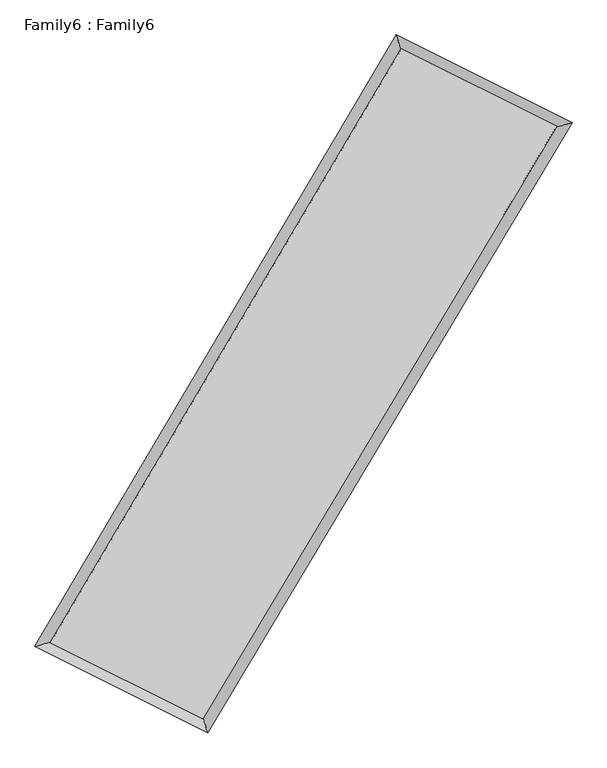
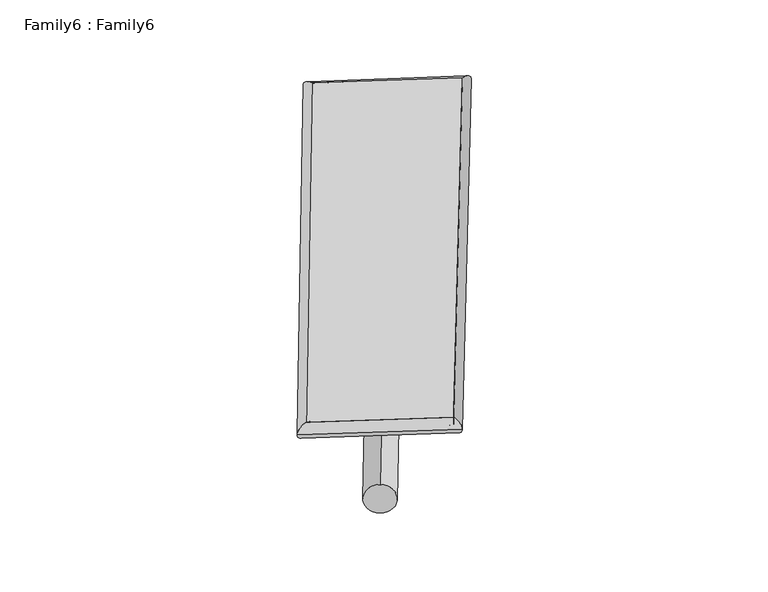
"""IFC4 building model written with IfcOpenShell, lengths in millimetres: plate geometry, Family6 : Family6."""

from ifc_helpers import new_model, si_unit, point, frame, origin, origin_2d, place, context, project, spatial, circle_curve, ellipse_curve, trimmed, segment, composite_curve, outline, extrude, source, transform, mapped, element, save
from ifc_brep_helpers import plane_surface, cylinder_surface, spline_surface, advanced_brep


def family6_family6_4e925cf8(model_context):
    return source(origin(), model_context, "Body", "SolidModel", [
        extrude(outline(composite_curve([segment(trimmed(circle_curve(origin_2d(), 76.2), [point((-75.4341515, -10.7763074))], [point((75.4341515, 10.7763074))], False, "CARTESIAN"), True, "CONTINUOUS"), segment(trimmed(circle_curve(origin_2d(), 76.2), [point((75.4341515, 10.7763074))], [point((-75.4341515, -10.7763074))], False, "CARTESIAN"), True, "CONTINUOUS")], self_intersect=False)), frame((9144.0, 9144.0, 0.0), z_axis=(0.6778958766832713, 0.6843883407605786, 0.26845815205875434), x_axis=(-0.6761970971642638, 0.7237568834237327, -0.13759890800216626)), (0.0, 0.0, 1.0), 5675.4127905),
        extrude(outline(composite_curve([segment(trimmed(circle_curve(origin_2d(), 76.2), [point((-53.8815368, 53.8815367))], [point((53.8815368, -53.8815367))], False, "CARTESIAN"), True, "CONTINUOUS"), segment(trimmed(circle_curve(origin_2d(), 76.2), [point((53.8815368, -53.8815367))], [point((-53.8815368, 53.8815367))], False, "CARTESIAN"), True, "CONTINUOUS")], self_intersect=False)), frame((9144.0, 9144.0, 0.0), z_axis=(-0.6747965552794782, -0.6873254308165393, 0.26876264832712277), x_axis=(0.638744568506828, -0.36151621575237125, 0.6791990885970852)), (0.0, 0.0, 1.0), 5668.5749266),
        extrude(outline(composite_curve([segment(trimmed(circle_curve(origin_2d(), 76.2), [point((-53.8815368, -53.8815367))], [point((53.8815368, 53.8815367))], False, "CARTESIAN"), True, "CONTINUOUS"), segment(trimmed(circle_curve(origin_2d(), 76.2), [point((53.8815368, 53.8815367))], [point((-53.8815368, -53.8815367))], False, "CARTESIAN"), True, "CONTINUOUS")], self_intersect=False)), frame((9144.0, 9144.0, 0.0), z_axis=(0.26764760860235004, 0.9228732672516113, 0.27689292190624737), x_axis=(-0.8416716540999649, 0.36381987410884215, -0.3990287281488081)), (0.0, 0.0, 1.0), 5495.5996085),
        extrude(outline(composite_curve([segment(trimmed(circle_curve(origin_2d(), 76.2), [point((-75.4341514, 10.7763074))], [point((75.4341514, -10.7763074))], False, "CARTESIAN"), True, "CONTINUOUS"), segment(trimmed(circle_curve(origin_2d(), 76.2), [point((75.4341514, -10.7763074))], [point((-75.4341514, 10.7763074))], False, "CARTESIAN"), True, "CONTINUOUS")], self_intersect=False)), frame((9144.0, 9144.0, 0.0), z_axis=(-0.27194341893892465, -0.9215502490814396, 0.2771135422777916), x_axis=(0.8788887279555876, -0.120567898920605, 0.46153871519351436)), (0.0, 0.0, 1.0), 5490.6136583),
        advanced_brep(
        [(5104.4719422, 5184.5098494, 1523.3575852), (5104.4718248, 5184.5096633, 1523.695829), (5533.2583902, 5311.1787435, 1523.6448339), (10673.8589496, 14015.9021244, 1521.8893325), (10555.9092365, 14415.5818081, 1521.4959339), (5533.2585076, 5311.1789296, 1523.30659), (12776.2808078, 12965.2855241, 1523.5863387), (13206.3970504, 13091.0871615, 1523.6353211), (7592.4634718, 4283.5885099, 1521.5601418), (7709.2640275, 3884.6587213, 1521.4866585)],
        [
            (0, 1, ellipse_curve(frame((5318.8651662, 5247.8442965, 1523.5012095), z_axis=(-0.2833093298910316, 0.9590284872520796, 0.00042922684276126903), x_axis=(-0.9590283033362337, -0.28330956079619324, 0.0006373080048866098)), 223.5527266, 152.4)),
            (1, 2, ellipse_curve(frame((5318.8651662, 5247.8442965, 1523.5012095), z_axis=(-0.2833093298910316, 0.9590284872520796, 0.00042922684276126903), x_axis=(-0.9590283033362337, -0.28330956079619324, 0.0006373080048866098)), 223.5527266, 152.4)),
            (2, 3),
            (3, 4, ellipse_curve(frame((10614.8840931, 14215.7419662, 1521.6926332), z_axis=(-0.9591071311040935, -0.28304305420939624, -0.0003748721003111887), x_axis=(0.283042776933878, -0.959107061345415, 0.000656736569063867)), 208.3603559, 152.4)),
            (4, 0),
            (2, 5, ellipse_curve(frame((5318.8651662, 5247.8442965, 1523.5012095), z_axis=(-0.2833093298910316, 0.9590284872520796, 0.00042922684276126903), x_axis=(-0.9590283033362337, -0.28330956079619324, 0.0006373080048866098)), 223.5527266, 152.4)),
            (5, 0, ellipse_curve(frame((5318.8651662, 5247.8442965, 1523.5012095), z_axis=(-0.2833093298910316, 0.9590284872520796, 0.00042922684276126903), x_axis=(-0.9590283033362337, -0.28330956079619324, 0.0006373080048866098)), 223.5527266, 152.4)),
            (4, 3, ellipse_curve(frame((10614.8840931, 14215.7419662, 1521.6926332), z_axis=(-0.9591071311040935, -0.28304305420939624, -0.0003748721003111887), x_axis=(0.283042776933878, -0.959107061345415, 0.000656736569063867)), 208.3603559, 152.4)),
            (3, 6),
            (6, 7, ellipse_curve(frame((12991.3389291, 13028.1863428, 1523.6108299), z_axis=(-0.2807218348144198, 0.9597890937078509, -0.0003834812742037595), x_axis=(-0.9597889065982077, -0.2807220314612823, -0.0006291448700264451)), 224.0681256, 152.4)),
            (7, 4),
            (7, 6, ellipse_curve(frame((12991.3389291, 13028.1863428, 1523.6108299), z_axis=(-0.2807218348144198, 0.9597890937078509, -0.0003834812742037595), x_axis=(-0.9597889065982077, -0.2807220314612823, -0.0006291448700264451)), 224.0681256, 152.4)),
            (6, 8),
            (8, 9, ellipse_curve(frame((7650.8637497, 4084.1236156, 1521.5234001), z_axis=(0.959710971599175, 0.28098880042259017, -0.0003808270489886921), x_axis=(-0.2809884930812132, 0.9597108779085991, 0.0007053934046845947)), 207.8385148, 152.4)),
            (9, 7),
            (9, 8, ellipse_curve(frame((7650.8637497, 4084.1236156, 1521.5234001), z_axis=(0.959710971599175, 0.28098880042259017, -0.0003808270489886921), x_axis=(-0.2809884930812132, 0.9597108779085991, 0.0007053934046845947)), 207.8385148, 152.4)),
            (8, 5),
            (1, 9),
        ],
        [
            cylinder_surface(frame((5318.8651662, 5247.8442965, 1523.5012095), z_axis=(-0.5085020285710704, -0.8610607741524758, 0.00017365208078148046), x_axis=(-0.8610603382523092, 0.5085015435055605, -0.0011287786679622781)), 152.4),
            cylinder_surface(frame((10614.8840931, 14215.7419662, 1521.6926332), z_axis=(-0.8945280838151285, 0.44701116980807654, -0.0007220338287355311), x_axis=(0.4470115999399701, 0.8945279471309179, -0.0006175118251604938)), 152.4),
            cylinder_surface(frame((12991.3389291, 13028.1863428, 1523.6108299), z_axis=(0.5126620105494923, 0.8585904860791277, 0.00020038403099927675), x_axis=(0.8585905076835424, -0.5126620105494922, -5.5272681628116894e-05)), 152.4),
            cylinder_surface(frame((7650.8637497, 4084.1236156, 1521.5234001), z_axis=(0.8947763766916452, -0.4465138965611296, -0.0007588757264243279), x_axis=(-0.44651366322965125, -0.8947766953491765, 0.000462611332142735)), 152.4),
        ],
        [
            (0, [[1, 2, 3, 4, 5]]),
            (0, [[6, 7, -5, 8, -3]]),
            (1, [[-4, 9, 10, 11]]),
            (1, [[-8, -11, 12, -9]]),
            (2, [[-10, 13, 14, 15]]),
            (2, [[-12, -15, 16, -13]]),
            (3, [[-14, 17, -6, -2, 18]]),
            (3, [[-16, -18, -1, -7, -17]]),
        ],
    ),
        extrude(outline(composite_curve([segment(trimmed(circle_curve(origin_2d(), 304.8), [point((0.0, 304.8))], [point((0.0, -304.8))], False, "CARTESIAN"), True, "CONTINUOUS"), segment(trimmed(circle_curve(origin_2d(), 304.8), [point((0.0, -304.8))], [point((0.0, 304.8))], False, "CARTESIAN"), True, "CONTINUOUS")], self_intersect=False)), frame((11817.4046952, 13648.0645105, -2.24e-05), z_axis=(-0.5104140197158539, -0.8599287926785008, 4.268365063596138e-09), x_axis=(-0.8599287926785008, 0.5104140197158539, -1.1713531067968205e-09)), (0.0, 0.0, 1.0), 10475.435987),
        advanced_brep(
        [(5318.8651662, 5247.8442965, 1523.5012095), (7650.8637497, 4084.1236156, 1521.5234001), (7650.8633911, 4084.1214583, 1673.9234001), (5318.8648076, 5247.8421392, 1675.9012095), (12991.3389291, 13028.1863428, 1523.6108299), (12991.3385706, 13028.1841855, 1676.0108299), (10614.8840931, 14215.7419662, 1521.6926332), (10614.8837345, 14215.7398089, 1674.0926332)],
        [
            (0, 1),
            (1, 2),
            (2, 3),
            (3, 0),
            (1, 4),
            (4, 5),
            (5, 2),
            (4, 6),
            (6, 7),
            (7, 5),
            (6, 0),
            (3, 7),
        ],
        [
            plane_surface(frame((6484.8644579, 4665.983956, 1522.5123048), z_axis=(-0.4465140344050725, -0.8947766296071664, -1.3716618504493975e-05), x_axis=(0.8947763766916451, -0.4465138965611296, -0.0007588757264243279))),
            plane_surface(frame((10321.1013394, 8556.1549792, 1522.567115), z_axis=(0.8585905038431608, -0.51266201993411, -5.236950855455898e-06), x_axis=(0.5126620105494921, 0.8585904860791277, 0.00020038403099927686))),
            plane_surface(frame((11803.1115111, 13621.9641545, 1522.6517316), z_axis=(0.44701127742911545, 0.8945283213309175, 1.3714273454936278e-05), x_axis=(-0.8945280838151282, 0.44701116980807676, -0.0007220338287355311))),
            plane_surface(frame((7966.8746296, 9731.7931313, 1522.5969214), z_axis=(-0.8610607866668992, 0.508502037004601, 5.172251917746765e-06), x_axis=(-0.5085020285710707, -0.8610607741524757, 0.00017365208078148022))),
            spline_surface(1, 1, [[(7650.8633911, 4084.1214583, 1673.9234001), (5318.8648076, 5247.8421392, 1675.9012095)], [(12991.3385706, 13028.1841855, 1676.0108299), (10614.8837345, 14215.7398089, 1674.0926332)]], [2, 2], [2, 2], [0.0, 1.0], [0.0, 1.0]),
            spline_surface(1, 1, [[(10614.8840931, 14215.7419662, 1521.6926332), (5318.8651662, 5247.8442965, 1523.5012095)], [(12991.3389291, 13028.1863428, 1523.6108299), (7650.8637497, 4084.1236156, 1521.5234001)]], [2, 2], [2, 2], [0.0, 1.0], [0.0, 1.0]),
        ],
        [
            (0, [[1, 2, 3, 4]]),
            (1, [[5, 6, 7, -2]]),
            (2, [[8, 9, 10, -6]]),
            (3, [[11, -4, 12, -9]]),
            (4, [[-3, -7, -10, -12]]),
            (5, [[-11, -8, -5, -1]]),
        ],
    ),
    ])


if __name__ == "__main__":
    model = new_model("IFC4")
    model_context = context("Model", 3, world=origin())
    ifc_project = project(units=[si_unit("LENGTHUNIT", "METRE", prefix="MILLI")], contexts=[model_context])
    site = spatial("IfcSite", under=ifc_project)
    building = spatial("IfcBuilding", under=site)
    placement = place(None, origin())
    family6_family6_shape = family6_family6_4e925cf8(model_context)
    element("IfcPlate", 1, ObjectType="Family6 : Family6", at=placement, inside=building, context=model_context, shape_type="MappedRepresentation", body=[
        mapped(family6_family6_shape, transform((0.0, 0.0, 0.0), x_axis=(1.0, 0.0, 0.0), y_axis=(0.0, 1.0, 0.0), z_axis=(0.0, 0.0, 1.0))),
    ])
    save(model, "model.ifc")
